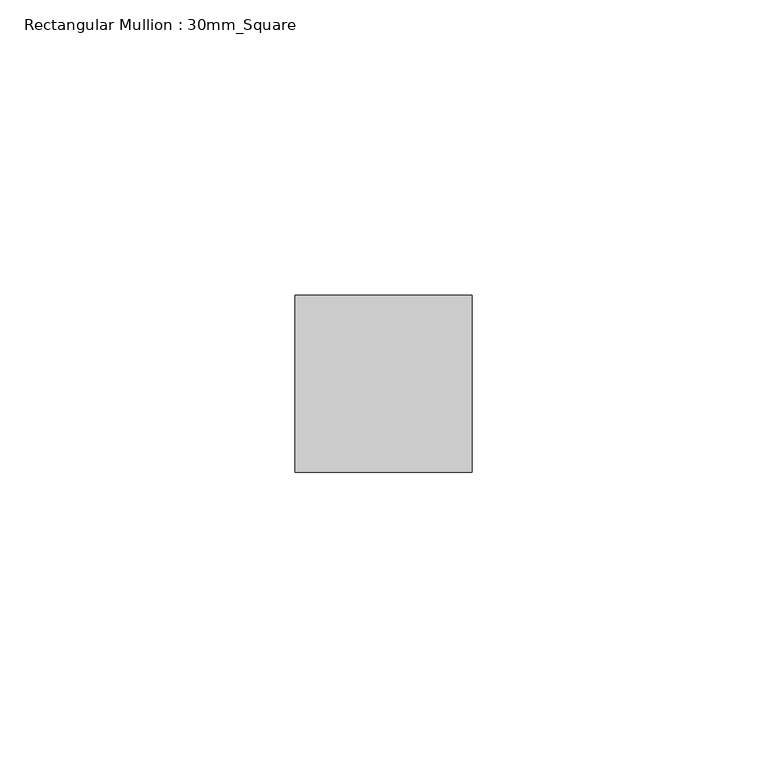
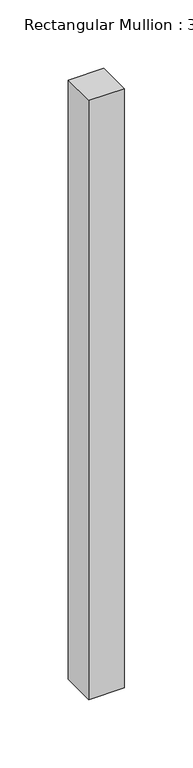
"""IFC4 building model written with IfcOpenShell, lengths in millimetres: member geometry, Rectangular Mullion : 30mm_Square."""

from ifc_helpers import new_model, si_unit, frame, origin, place, context, project, spatial, polyline, outline, extrude, source, transform, mapped, element, save


def rectangular_mullion_30mm_square_05affbb5(model_context):
    return source(origin(), model_context, "Body", "SweptSolid", [
        extrude(outline(polyline([(0.0, 15.0), (0.0, -15.0), (-30.0, -15.0), (-30.0, 15.0), (0.0, 15.0)])), frame((0.0, 0.0, -535.0), z_axis=(0.0, 0.0, 1.0), x_axis=(1.0, 0.0, 0.0)), (0.0, 0.0, 1.0), 535.0),
    ])


if __name__ == "__main__":
    model = new_model("IFC4")
    model_context = context("Model", 3, world=origin())
    ifc_project = project(units=[si_unit("LENGTHUNIT", "METRE", prefix="MILLI")], contexts=[model_context])
    site = spatial("IfcSite", under=ifc_project)
    building = spatial("IfcBuilding", under=site)
    placement = place(None, origin())
    rectangular_mullion_30mm_square_shape = rectangular_mullion_30mm_square_05affbb5(model_context)
    element("IfcMember", 1, ObjectType="Rectangular Mullion : 30mm_Square", at=placement, inside=building, context=model_context, shape_type="MappedRepresentation", body=[
        mapped(rectangular_mullion_30mm_square_shape, transform((0.0, 0.0, 0.0), x_axis=(1.0, 0.0, 0.0), y_axis=(0.0, 1.0, 0.0), z_axis=(0.0, 0.0, 1.0))),
    ])
    save(model, "model.ifc")
